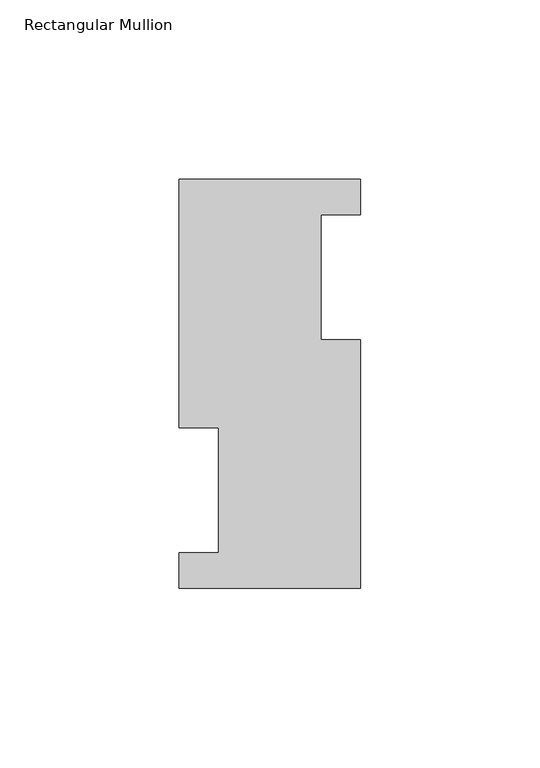
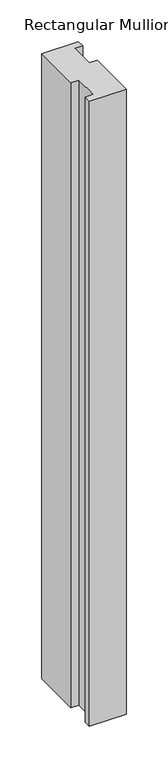
"""IFC4 building model written with IfcOpenShell, lengths in millimetres: member geometry, Rectangular Mullion."""

from ifc_helpers import new_model, si_unit, frame, origin, place, context, project, spatial, polyline, outline, extrude, source, transform, mapped, element, save


def rectangular_mullion_35b757fc(model_context):
    return source(origin(), model_context, "Body", "SweptSolid", [
        extrude(outline(polyline([(-25.4, 114.0729875), (25.4, 114.0729875), (25.4, 104.1669875), (14.2875, 104.1669875), (14.2875, 69.2419875), (25.4, 69.2419875), (25.4, -0.2270125), (-25.4, -0.2270125), (-25.4, 9.6789875), (-14.2875, 9.6789875), (-14.2875, 44.6039875), (-25.4, 44.6039875), (-25.4, 114.0729875)])), frame((0.0, 0.0, -914.4), z_axis=(0.0, 0.0, 1.0), x_axis=(1.0, 0.0, 0.0)), (0.0, 0.0, 1.0), 914.4),
    ])


if __name__ == "__main__":
    model = new_model("IFC4")
    model_context = context("Model", 3, world=origin())
    ifc_project = project(units=[si_unit("LENGTHUNIT", "METRE", prefix="MILLI")], contexts=[model_context])
    site = spatial("IfcSite", under=ifc_project)
    building = spatial("IfcBuilding", under=site)
    placement = place(None, origin())
    rectangular_mullion_shape = rectangular_mullion_35b757fc(model_context)
    element("IfcMember", 1, ObjectType="Rectangular Mullion", at=placement, inside=building, context=model_context, shape_type="MappedRepresentation", body=[
        mapped(rectangular_mullion_shape, transform((0.0, 0.0, 0.0), x_axis=(1.0, 0.0, 0.0), y_axis=(0.0, 1.0, 0.0), z_axis=(0.0, 0.0, 1.0))),
    ])
    save(model, "model.ifc")
